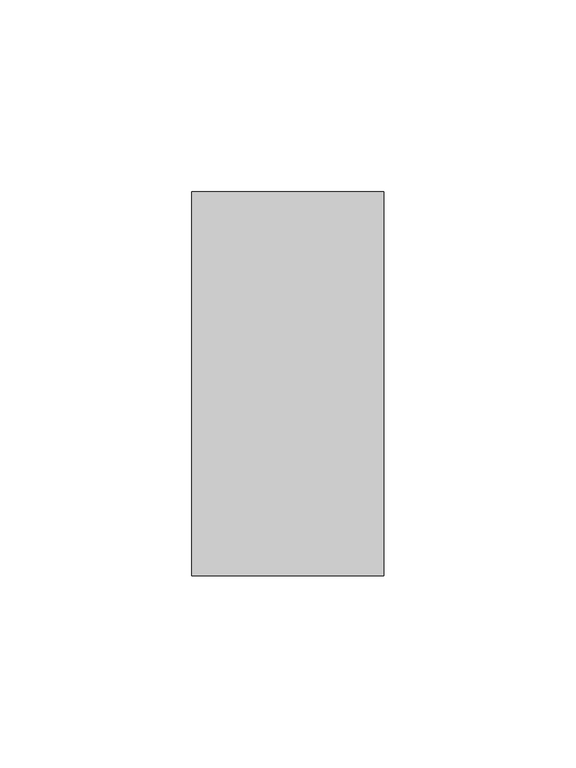
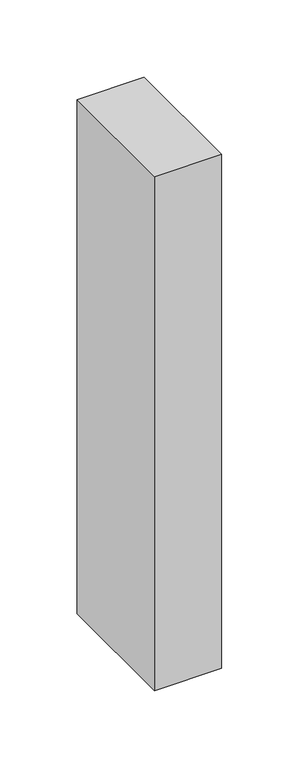
"""IFC4 building model written with IfcOpenShell, lengths in millimetres: member geometry."""

from ifc_helpers import new_model, si_unit, frame, origin, place, context, project, spatial, polyline, outline, extrude, source, transform, mapped, element, save


def member_49d6d004(model_context):
    return source(origin(), model_context, "Body", "SweptSolid", [
        extrude(outline(polyline([(0.0, 50.0), (0.0, -50.0), (-50.0, -50.0), (-50.0, 50.0), (0.0, 50.0)])), frame((0.0, 0.0, -405.1707317), z_axis=(0.0, 0.0, 1.0), x_axis=(1.0, 0.0, 0.0)), (0.0, 0.0, 1.0), 405.1707317),
    ])


if __name__ == "__main__":
    model = new_model("IFC4")
    model_context = context("Model", 3, world=origin())
    ifc_project = project(units=[si_unit("LENGTHUNIT", "METRE", prefix="MILLI")], contexts=[model_context])
    site = spatial("IfcSite", under=ifc_project)
    building = spatial("IfcBuilding", under=site)
    placement = place(None, origin())
    member_shape = member_49d6d004(model_context)
    element("IfcMember", 1, at=placement, inside=building, context=model_context, shape_type="MappedRepresentation", body=[
        mapped(member_shape, transform((0.0, 0.0, 0.0), x_axis=(1.0, 0.0, 0.0), y_axis=(0.0, 1.0, 0.0), z_axis=(0.0, 0.0, 1.0))),
    ])
    save(model, "model.ifc")
